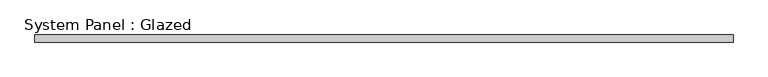
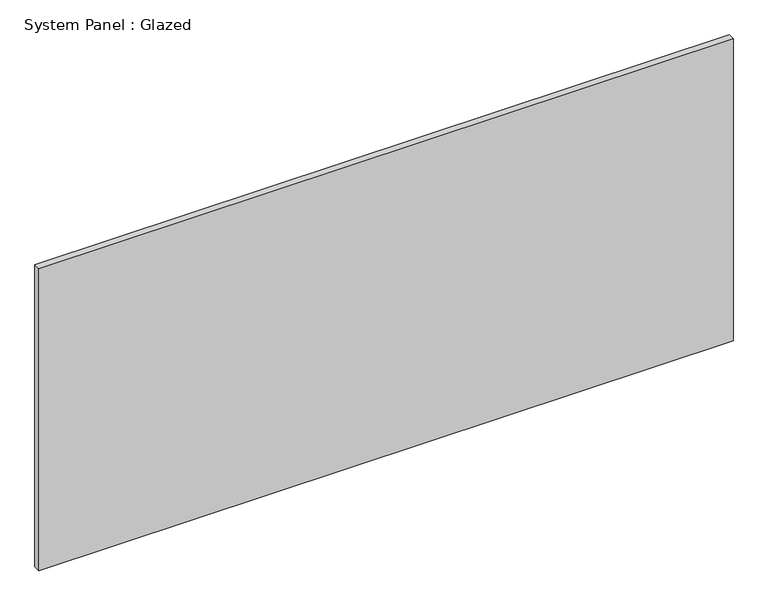
"""IFC4 building model written with IfcOpenShell, lengths in millimetres: plate geometry, System Panel : Glazed."""

from ifc_helpers import new_model, si_unit, origin, origin_with_axes, place, context, project, spatial, polyline, outline, extrude, source, transform, mapped, element, save


def system_panel_glazed_5d74b19b(model_context):
    return source(origin(), model_context, "Body", "SweptSolid", [
        extrude(outline(polyline([(1249.3625, -12.7), (-1249.3625, -12.7), (-1249.3625, 12.7), (1249.3625, 12.7), (1249.3625, -12.7)])), origin_with_axes(), (0.0, 0.0, 1.0), 1149.35),
    ])


if __name__ == "__main__":
    model = new_model("IFC4")
    model_context = context("Model", 3, world=origin())
    ifc_project = project(units=[si_unit("LENGTHUNIT", "METRE", prefix="MILLI")], contexts=[model_context])
    site = spatial("IfcSite", under=ifc_project)
    building = spatial("IfcBuilding", under=site)
    placement = place(None, origin())
    system_panel_glazed_shape = system_panel_glazed_5d74b19b(model_context)
    element("IfcPlate", 1, ObjectType="System Panel : Glazed", at=placement, inside=building, context=model_context, shape_type="MappedRepresentation", body=[
        mapped(system_panel_glazed_shape, transform((0.0, 0.0, 0.0), x_axis=(1.0, 0.0, 0.0), y_axis=(0.0, 1.0, 0.0), z_axis=(0.0, 0.0, 1.0))),
    ])
    save(model, "model.ifc")
